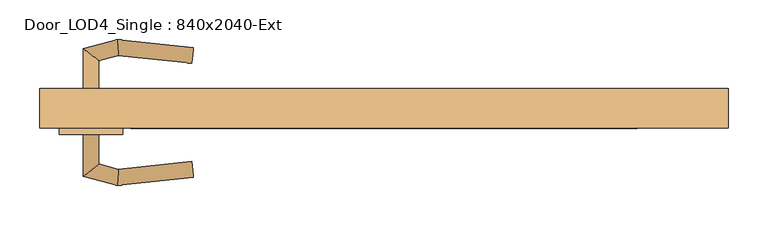
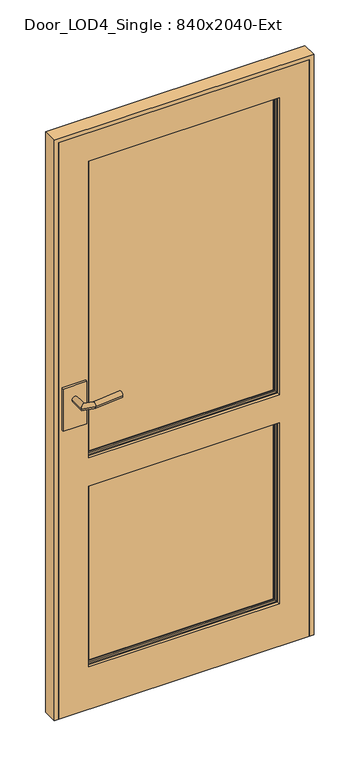
"""IFC4 building model written with IfcOpenShell, lengths in millimetres: door geometry, Door_LOD4_Single : 840x2040-Ext."""

from ifc_helpers import new_model, si_unit, frame, origin, place, context, project, spatial, polyline, circle_curve, ellipse_curve, outline, extrude, source, transform, mapped, element, save
from ifc_brep_helpers import plane_surface, cylinder_surface, advanced_brep


def door_lod4_single_840x2040_ext_ec07e4df(model_context):
    return source(origin(), model_context, "Body", "SolidModel", [
        advanced_brep(
        [(320.0000168, 5.0, 890.0), (-320.0000168, 5.0, 890.0), (-320.0000168, 5.0, 1940.0000817), (320.0000168, 5.0, 1940.0000817), (-316.3556719, 5.0, 893.6443449), (316.3556719, 5.0, 893.6443449), (316.3556719, 5.0, 1936.3557368), (-316.3556719, 5.0, 1936.3557368), (320.0000168, -15.0, 890.0), (320.0000168, -15.0, 1940.0000817), (-320.0000168, -15.0, 1940.0000817), (-320.0000168, -15.0, 890.0), (-316.3556719, -15.0, 1936.3557368), (316.3556719, -15.0, 1936.3557368), (316.3556719, -15.0, 893.6443449), (-316.3556719, -15.0, 893.6443449), (-309.5000168, -7.3125, 1929.5000817), (-309.5000168, -10.3125, 1929.5000817), (-309.5000168, -10.3125, 900.5), (-309.5000168, -7.3125, 900.5), (309.5000168, -10.3125, 900.5), (309.5000168, -7.3125, 900.5), (309.5000168, -10.3125, 1929.5000817), (309.5000168, -7.3125, 1929.5000817), (-314.0625168, -10.3125, 895.9375), (314.0625168, -10.3125, 895.9375), (314.0625168, -10.3125, 1934.0625817), (-314.0625168, -10.3125, 1934.0625817), (-309.5000168, 0.3125, 1929.5000817), (-309.5000168, -2.6875, 1929.5000817), (-309.5000168, -2.6875, 900.5), (-309.5000168, 0.3125, 900.5), (309.5000168, -2.6875, 900.5), (309.5000168, 0.3125, 900.5), (309.5000168, -2.6875, 1929.5000817), (309.5000168, 0.3125, 1929.5000817), (-314.0625168, 0.3125, 1934.0625817), (314.0625168, 0.3125, 1934.0625817), (314.0625168, 0.3125, 895.9375), (-314.0625168, 0.3125, 895.9375)],
        [
            (0, 1),
            (1, 2),
            (2, 3),
            (3, 0),
            (4, 5),
            (5, 6),
            (6, 7),
            (7, 4),
            (8, 9),
            (9, 10),
            (10, 11),
            (11, 8),
            (12, 13),
            (13, 14),
            (14, 15),
            (15, 12),
            (3, 9),
            (8, 0),
            (2, 10),
            (1, 11),
            (16, 17),
            (17, 18),
            (18, 19),
            (19, 16),
            (18, 20),
            (20, 21),
            (21, 19),
            (20, 22),
            (22, 23),
            (23, 21),
            (24, 25),
            (25, 26),
            (26, 27),
            (27, 24),
            (17, 22),
            (16, 23),
            (27, 12, ellipse_curve(frame((-320.0000168, -10.3125, 1940.0000817), z_axis=(-0.7071067811865475, 0.0, -0.7071067811865475), x_axis=(0.7071067811865474, 0.0, -0.7071067811865476)), 8.396893, 5.9375)),
            (15, 24, ellipse_curve(frame((-320.0000168, -10.3125, 890.0), z_axis=(-0.7071067811865475, 0.0, 0.7071067811865475), x_axis=(-0.7071067811865474, 0.0, -0.7071067811865476)), 8.396893, 5.9375)),
            (14, 25, ellipse_curve(frame((320.0000168, -10.3125, 890.0), z_axis=(-0.7071067811865475, 0.0, -0.7071067811865475), x_axis=(0.7071067811865476, 0.0, -0.7071067811865474)), 8.396893, 5.9375)),
            (13, 26, ellipse_curve(frame((320.0000168, -10.3125, 1940.0000817), z_axis=(0.7071067811865475, 0.0, -0.7071067811865475), x_axis=(0.7071067811865474, 0.0, 0.7071067811865476)), 8.396893, 5.9375)),
            (28, 29),
            (29, 30),
            (30, 31),
            (31, 28),
            (30, 32),
            (32, 33),
            (33, 31),
            (32, 34),
            (34, 35),
            (35, 33),
            (36, 37),
            (37, 38),
            (38, 39),
            (39, 36),
            (35, 28),
            (34, 29),
            (39, 4, ellipse_curve(frame((-320.0000168, 0.3125, 890.0), z_axis=(-0.7071067811865475, 0.0, 0.7071067811865475), x_axis=(-0.7071067811865474, 0.0, -0.7071067811865476)), 8.396893, 5.9375)),
            (7, 36, ellipse_curve(frame((-320.0000168, 0.3125, 1940.0000817), z_axis=(-0.7071067811865475, 0.0, -0.7071067811865475), x_axis=(0.7071067811865474, 0.0, -0.7071067811865476)), 8.396893, 5.9375)),
            (38, 5, ellipse_curve(frame((320.0000168, 0.3125, 890.0), z_axis=(-0.7071067811865475, 0.0, -0.7071067811865475), x_axis=(0.7071067811865476, 0.0, -0.7071067811865474)), 8.396893, 5.9375)),
            (37, 6, ellipse_curve(frame((320.0000168, 0.3125, 1940.0000817), z_axis=(0.7071067811865475, 0.0, -0.7071067811865475), x_axis=(0.7071067811865474, 0.0, 0.7071067811865476)), 8.396893, 5.9375)),
        ],
        [
            plane_surface(frame((320.0000168, 5.0, 890.0), z_axis=(0.0, 1.0, 0.0), x_axis=(0.0, 0.0, 1.0))),
            plane_surface(frame((320.0000168, -15.0, 890.0), z_axis=(0.0, -1.0, 0.0), x_axis=(0.0, 0.0, -1.0))),
            plane_surface(frame((320.0000168, 5.0, 890.0), z_axis=(1.0, 0.0, 0.0), x_axis=(0.0, -1.0, 0.0))),
            plane_surface(frame((320.0000168, 5.0, 1940.0000817), z_axis=(0.0, 0.0, 1.0), x_axis=(0.0, -1.0, 0.0))),
            plane_surface(frame((-320.0000168, 5.0, 1940.0000817), z_axis=(-1.0, 0.0, 0.0), x_axis=(0.0, -1.0, 0.0))),
            plane_surface(frame((-320.0000168, 5.0, 890.0), z_axis=(0.0, 0.0, -1.0), x_axis=(0.0, -1.0, 0.0))),
            plane_surface(frame((-309.5000168, -10.3125, 1929.5000817), z_axis=(1.0, 0.0, 0.0), x_axis=(0.0, 0.0, -1.0))),
            plane_surface(frame((-309.5000168, -10.3125, 900.5), z_axis=(0.0, 0.0, 1.0), x_axis=(1.0, 0.0, 0.0))),
            plane_surface(frame((309.5000168, -10.3125, 900.5), z_axis=(-1.0, 0.0, 0.0), x_axis=(0.0, 0.0, 1.0))),
            plane_surface(frame((314.0625168, -10.3125, 1934.0625817), z_axis=(0.0, -1.0, 0.0), x_axis=(-1.0, 0.0, 0.0))),
            plane_surface(frame((309.5000168, -10.3125, 1929.5000817), z_axis=(0.0, 0.0, -1.0), x_axis=(-1.0, 0.0, 0.0))),
            plane_surface(frame((309.5000168, -7.3125, 1929.5000817), z_axis=(0.0, -1.0, 0.0), x_axis=(-1.0, 0.0, 0.0))),
            cylinder_surface(frame((-320.0000168, -10.3125, 1940.0000817), z_axis=(0.0, 0.0, -1.0), x_axis=(-1.0, 0.0, 0.0)), 5.9375),
            cylinder_surface(frame((-320.0000168, -10.3125, 890.0), z_axis=(1.0, 0.0, 0.0), x_axis=(0.0, 0.0, -1.0)), 5.9375),
            cylinder_surface(frame((320.0000168, -10.3125, 890.0), z_axis=(0.0, 0.0, 1.0), x_axis=(1.0, 0.0, 0.0)), 5.9375),
            cylinder_surface(frame((320.0000168, -10.3125, 1940.0000817), z_axis=(-1.0, 0.0, 0.0), x_axis=(0.0, 0.0, 1.0)), 5.9375),
            plane_surface(frame((-309.5000168, -2.6875, 1929.5000817), z_axis=(1.0, 0.0, 0.0), x_axis=(0.0, 0.0, -1.0))),
            plane_surface(frame((-309.5000168, -2.6875, 900.5), z_axis=(0.0, 0.0, 1.0), x_axis=(1.0, 0.0, 0.0))),
            plane_surface(frame((309.5000168, -2.6875, 900.5), z_axis=(-1.0, 0.0, 0.0), x_axis=(0.0, 0.0, 1.0))),
            plane_surface(frame((309.5000168, 0.3125, 1929.5000817), z_axis=(0.0, 1.0, 0.0), x_axis=(-1.0, 0.0, 0.0))),
            plane_surface(frame((309.5000168, -2.6875, 1929.5000817), z_axis=(0.0, 0.0, -1.0), x_axis=(-1.0, 0.0, 0.0))),
            plane_surface(frame((286.5442644, -2.6875, 1906.5443293), z_axis=(0.0, 1.0, 0.0), x_axis=(-1.0, 0.0, 0.0))),
            cylinder_surface(frame((-320.0000168, 0.3125, 1940.0000817), z_axis=(0.0, 0.0, -1.0), x_axis=(1.0, 0.0, 0.0)), 5.9375),
            cylinder_surface(frame((-320.0000168, 0.3125, 890.0), z_axis=(1.0, 0.0, 0.0), x_axis=(0.0, 0.0, 1.0)), 5.9375),
            cylinder_surface(frame((320.0000168, 0.3125, 890.0), z_axis=(0.0, 0.0, 1.0), x_axis=(-1.0, 0.0, 0.0)), 5.9375),
            cylinder_surface(frame((320.0000168, 0.3125, 1940.0000817), z_axis=(-1.0, 0.0, 0.0), x_axis=(0.0, 0.0, -1.0)), 5.9375),
        ],
        [
            (0, [[1, 2, 3, 4], [5, 6, 7, 8]]),
            (1, [[9, 10, 11, 12], [13, 14, 15, 16]]),
            (2, [[17, -9, 18, -4]]),
            (3, [[19, -10, -17, -3]]),
            (4, [[20, -11, -19, -2]]),
            (5, [[-18, -12, -20, -1]]),
            (6, [[21, 22, 23, 24]]),
            (7, [[25, 26, 27, -23]]),
            (8, [[28, 29, 30, -26]]),
            (9, [[31, 32, 33, 34], [35, -28, -25, -22]]),
            (10, [[36, -29, -35, -21]]),
            (11, [[-27, -30, -36, -24]]),
            (12, [[37, -16, 38, -34]]),
            (13, [[-38, -15, 39, -31]]),
            (14, [[-39, -14, 40, -32]]),
            (15, [[-40, -13, -37, -33]]),
            (16, [[41, 42, 43, 44]]),
            (17, [[45, 46, 47, -43]]),
            (18, [[48, 49, 50, -46]]),
            (19, [[51, 52, 53, 54], [-47, -50, 55, -44]]),
            (20, [[-55, -49, 56, -41]]),
            (21, [[-56, -48, -45, -42]]),
            (22, [[57, -8, 58, -54]]),
            (23, [[59, -5, -57, -53]]),
            (24, [[60, -6, -59, -52]]),
            (25, [[-58, -7, -60, -51]]),
        ],
    ),
        advanced_brep(
        [(320.0000168, 5.0, 150.0), (-320.0000168, 5.0, 150.0), (-320.0000168, 5.0, 790.0), (320.0000168, 5.0, 790.0), (-316.3556719, 5.0, 153.6443449), (316.3556719, 5.0, 153.6443449), (316.3556719, 5.0, 786.3556551), (-316.3556719, 5.0, 786.3556551), (320.0000168, -15.0, 150.0), (320.0000168, -15.0, 790.0), (-320.0000168, -15.0, 790.0), (-320.0000168, -15.0, 150.0), (-316.3556719, -15.0, 786.3556551), (316.3556719, -15.0, 786.3556551), (316.3556719, -15.0, 153.6443449), (-316.3556719, -15.0, 153.6443449), (-309.5000168, -7.3125, 779.5), (-309.5000168, -10.3125, 779.5), (-309.5000168, -10.3125, 160.5), (-309.5000168, -7.3125, 160.5), (309.5000168, -10.3125, 160.5), (309.5000168, -7.3125, 160.5), (309.5000168, -10.3125, 779.5), (309.5000168, -7.3125, 779.5), (-314.0625168, -10.3125, 155.9375), (314.0625168, -10.3125, 155.9375), (314.0625168, -10.3125, 784.0625), (-314.0625168, -10.3125, 784.0625), (-309.5000168, 0.3125, 779.5), (-309.5000168, -2.6875, 779.5), (-309.5000168, -2.6875, 160.5), (-309.5000168, 0.3125, 160.5), (309.5000168, -2.6875, 160.5), (309.5000168, 0.3125, 160.5), (309.5000168, -2.6875, 779.5), (309.5000168, 0.3125, 779.5), (-314.0625168, 0.3125, 784.0625), (314.0625168, 0.3125, 784.0625), (314.0625168, 0.3125, 155.9375), (-314.0625168, 0.3125, 155.9375)],
        [
            (0, 1),
            (1, 2),
            (2, 3),
            (3, 0),
            (4, 5),
            (5, 6),
            (6, 7),
            (7, 4),
            (8, 9),
            (9, 10),
            (10, 11),
            (11, 8),
            (12, 13),
            (13, 14),
            (14, 15),
            (15, 12),
            (3, 9),
            (8, 0),
            (2, 10),
            (1, 11),
            (16, 17),
            (17, 18),
            (18, 19),
            (19, 16),
            (18, 20),
            (20, 21),
            (21, 19),
            (20, 22),
            (22, 23),
            (23, 21),
            (24, 25),
            (25, 26),
            (26, 27),
            (27, 24),
            (17, 22),
            (16, 23),
            (27, 12, ellipse_curve(frame((-320.0000168, -10.3125, 790.0), z_axis=(-0.7071067811865475, 0.0, -0.7071067811865475), x_axis=(0.7071067811865474, 0.0, -0.7071067811865476)), 8.396893, 5.9375)),
            (15, 24, ellipse_curve(frame((-320.0000168, -10.3125, 150.0), z_axis=(-0.7071067811865475, 0.0, 0.7071067811865475), x_axis=(-0.7071067811865474, 0.0, -0.7071067811865476)), 8.396893, 5.9375)),
            (14, 25, ellipse_curve(frame((320.0000168, -10.3125, 150.0), z_axis=(-0.7071067811865475, 0.0, -0.7071067811865475), x_axis=(0.7071067811865476, 0.0, -0.7071067811865474)), 8.396893, 5.9375)),
            (13, 26, ellipse_curve(frame((320.0000168, -10.3125, 790.0), z_axis=(0.7071067811865475, 0.0, -0.7071067811865475), x_axis=(0.7071067811865474, 0.0, 0.7071067811865476)), 8.396893, 5.9375)),
            (28, 29),
            (29, 30),
            (30, 31),
            (31, 28),
            (30, 32),
            (32, 33),
            (33, 31),
            (32, 34),
            (34, 35),
            (35, 33),
            (36, 37),
            (37, 38),
            (38, 39),
            (39, 36),
            (35, 28),
            (34, 29),
            (39, 4, ellipse_curve(frame((-320.0000168, 0.3125, 150.0), z_axis=(-0.7071067811865475, 0.0, 0.7071067811865475), x_axis=(-0.7071067811865474, 0.0, -0.7071067811865476)), 8.396893, 5.9375)),
            (7, 36, ellipse_curve(frame((-320.0000168, 0.3125, 790.0), z_axis=(-0.7071067811865475, 0.0, -0.7071067811865475), x_axis=(0.7071067811865474, 0.0, -0.7071067811865476)), 8.396893, 5.9375)),
            (38, 5, ellipse_curve(frame((320.0000168, 0.3125, 150.0), z_axis=(-0.7071067811865475, 0.0, -0.7071067811865475), x_axis=(0.7071067811865476, 0.0, -0.7071067811865474)), 8.396893, 5.9375)),
            (37, 6, ellipse_curve(frame((320.0000168, 0.3125, 790.0), z_axis=(0.7071067811865475, 0.0, -0.7071067811865475), x_axis=(0.7071067811865474, 0.0, 0.7071067811865476)), 8.396893, 5.9375)),
        ],
        [
            plane_surface(frame((320.0000168, 5.0, 150.0), z_axis=(0.0, 1.0, 0.0), x_axis=(0.0, 0.0, 1.0))),
            plane_surface(frame((320.0000168, -15.0, 150.0), z_axis=(0.0, -1.0, 0.0), x_axis=(0.0, 0.0, -1.0))),
            plane_surface(frame((320.0000168, 5.0, 150.0), z_axis=(1.0, 0.0, 0.0), x_axis=(0.0, -1.0, 0.0))),
            plane_surface(frame((320.0000168, 5.0, 790.0), z_axis=(0.0, 0.0, 1.0), x_axis=(0.0, -1.0, 0.0))),
            plane_surface(frame((-320.0000168, 5.0, 790.0), z_axis=(-1.0, 0.0, 0.0), x_axis=(0.0, -1.0, 0.0))),
            plane_surface(frame((-320.0000168, 5.0, 150.0), z_axis=(0.0, 0.0, -1.0), x_axis=(0.0, -1.0, 0.0))),
            plane_surface(frame((-309.5000168, -10.3125, 779.5), z_axis=(1.0, 0.0, 0.0), x_axis=(0.0, 0.0, -1.0))),
            plane_surface(frame((-309.5000168, -10.3125, 160.5), z_axis=(0.0, 0.0, 1.0), x_axis=(1.0, 0.0, 0.0))),
            plane_surface(frame((309.5000168, -10.3125, 160.5), z_axis=(-1.0, 0.0, 0.0), x_axis=(0.0, 0.0, 1.0))),
            plane_surface(frame((314.0625168, -10.3125, 784.0625), z_axis=(0.0, -1.0, 0.0), x_axis=(-1.0, 0.0, 0.0))),
            plane_surface(frame((309.5000168, -10.3125, 779.5), z_axis=(0.0, 0.0, -1.0), x_axis=(-1.0, 0.0, 0.0))),
            plane_surface(frame((309.5000168, -7.3125, 779.5), z_axis=(0.0, -1.0, 0.0), x_axis=(-1.0, 0.0, 0.0))),
            cylinder_surface(frame((-320.0000168, -10.3125, 790.0), z_axis=(0.0, 0.0, -1.0), x_axis=(-1.0, 0.0, 0.0)), 5.9375),
            cylinder_surface(frame((-320.0000168, -10.3125, 150.0), z_axis=(1.0, 0.0, 0.0), x_axis=(0.0, 0.0, -1.0)), 5.9375),
            cylinder_surface(frame((320.0000168, -10.3125, 150.0), z_axis=(0.0, 0.0, 1.0), x_axis=(1.0, 0.0, 0.0)), 5.9375),
            cylinder_surface(frame((320.0000168, -10.3125, 790.0), z_axis=(-1.0, 0.0, 0.0), x_axis=(0.0, 0.0, 1.0)), 5.9375),
            plane_surface(frame((-309.5000168, -2.6875, 779.5), z_axis=(1.0, 0.0, 0.0), x_axis=(0.0, 0.0, -1.0))),
            plane_surface(frame((-309.5000168, -2.6875, 160.5), z_axis=(0.0, 0.0, 1.0), x_axis=(1.0, 0.0, 0.0))),
            plane_surface(frame((309.5000168, -2.6875, 160.5), z_axis=(-1.0, 0.0, 0.0), x_axis=(0.0, 0.0, 1.0))),
            plane_surface(frame((309.5000168, 0.3125, 779.5), z_axis=(0.0, 1.0, 0.0), x_axis=(-1.0, 0.0, 0.0))),
            plane_surface(frame((309.5000168, -2.6875, 779.5), z_axis=(0.0, 0.0, -1.0), x_axis=(-1.0, 0.0, 0.0))),
            plane_surface(frame((286.5442644, -2.6875, 756.5442476), z_axis=(0.0, 1.0, 0.0), x_axis=(-1.0, 0.0, 0.0))),
            cylinder_surface(frame((-320.0000168, 0.3125, 790.0), z_axis=(0.0, 0.0, -1.0), x_axis=(1.0, 0.0, 0.0)), 5.9375),
            cylinder_surface(frame((-320.0000168, 0.3125, 150.0), z_axis=(1.0, 0.0, 0.0), x_axis=(0.0, 0.0, 1.0)), 5.9375),
            cylinder_surface(frame((320.0000168, 0.3125, 150.0), z_axis=(0.0, 0.0, 1.0), x_axis=(-1.0, 0.0, 0.0)), 5.9375),
            cylinder_surface(frame((320.0000168, 0.3125, 790.0), z_axis=(-1.0, 0.0, 0.0), x_axis=(0.0, 0.0, -1.0)), 5.9375),
        ],
        [
            (0, [[1, 2, 3, 4], [5, 6, 7, 8]]),
            (1, [[9, 10, 11, 12], [13, 14, 15, 16]]),
            (2, [[17, -9, 18, -4]]),
            (3, [[19, -10, -17, -3]]),
            (4, [[20, -11, -19, -2]]),
            (5, [[-18, -12, -20, -1]]),
            (6, [[21, 22, 23, 24]]),
            (7, [[25, 26, 27, -23]]),
            (8, [[28, 29, 30, -26]]),
            (9, [[31, 32, 33, 34], [35, -28, -25, -22]]),
            (10, [[36, -29, -35, -21]]),
            (11, [[-27, -30, -36, -24]]),
            (12, [[37, -16, 38, -34]]),
            (13, [[-38, -15, 39, -31]]),
            (14, [[-39, -14, 40, -32]]),
            (15, [[-40, -13, -37, -33]]),
            (16, [[41, 42, 43, 44]]),
            (17, [[45, 46, 47, -43]]),
            (18, [[48, 49, 50, -46]]),
            (19, [[51, 52, 53, 54], [-47, -50, 55, -44]]),
            (20, [[-55, -49, 56, -41]]),
            (21, [[-56, -48, -45, -42]]),
            (22, [[57, -8, 58, -54]]),
            (23, [[59, -5, -57, -53]]),
            (24, [[60, -6, -59, -52]]),
            (25, [[-58, -7, -60, -51]]),
        ],
    ),
        extrude(outline(polyline([(2040.0000817, -420.0000168), (0.0, -420.0000168), (0.0, 420.0000168), (2040.0000817, 420.0000168), (2040.0000817, -420.0000168)]), holes=[polyline([(790.0, 320.0000168), (150.0, 320.0000168), (150.0, -320.0000168), (790.0, -320.0000168), (790.0, 320.0000168)]), polyline([(1940.0000817, 320.0000168), (890.0, 320.0000168), (890.0, -320.0000168), (1940.0000817, -320.0000168), (1940.0000817, 320.0000168)])]), frame((0.0, -25.0, 0.0), z_axis=(0.0, 1.0, 0.0), x_axis=(0.0, 0.0, 1.0)), (0.0, 0.0, 1.0), 40.0),
        advanced_brep(
        [(-380.0000168, 23.0, 1120.0000409), (-360.0000168, 23.0, 1120.0000409), (-380.0000168, 75.6732699, 1120.0000409), (-360.0000168, 60.3267301, 1120.0000409), (-336.9904249, 87.1976553, 1120.0000409), (-335.3948009, 66.9196778, 1120.0000409), (-240.6930725, 77.0736521, 1120.0000409), (-242.7842023, 57.1832731, 1120.0000409)],
        [
            (0, 1, circle_curve(frame((-370.0000168, 23.0, 1120.0000409), z_axis=(0.0, -1.0, 0.0), x_axis=(1.0, 0.0, 0.0)), 10.0)),
            (1, 0, circle_curve(frame((-370.0000168, 23.0, 1120.0000409), z_axis=(0.0, -1.0, 0.0), x_axis=(1.0, 0.0, 0.0)), 10.0)),
            (0, 2),
            (2, 3, ellipse_curve(frame((-370.0000168, 68.0, 1120.0000409), z_axis=(-0.6087614290087403, -0.79335334029122, 0.0), x_axis=(0.7933533402912198, -0.6087614290087406, 0.0)), 12.6047241, 10.0)),
            (3, 1),
            (3, 2, ellipse_curve(frame((-370.0000168, 68.0, 1120.0000409), z_axis=(-0.6087614290087403, -0.79335334029122, 0.0), x_axis=(0.7933533402912198, -0.6087614290087406, 0.0)), 12.6047241, 10.0)),
            (2, 4),
            (4, 5, ellipse_curve(frame((-336.1926129, 77.0586666, 1120.0000409), z_axis=(-0.9969184391323764, -0.07844504903348702, 0.0), x_axis=(0.07844504903348593, -0.9969184391323765, 0.0)), 10.1703292, 10.0)),
            (5, 3),
            (5, 4, ellipse_curve(frame((-336.1926129, 77.0586666, 1120.0000409), z_axis=(-0.9969184391323764, -0.07844504903348702, 0.0), x_axis=(0.07844504903348593, -0.9969184391323765, 0.0)), 10.1703292, 10.0)),
            (6, 7, circle_curve(frame((-241.7386374, 67.1284626, 1120.0000409), z_axis=(0.9945189493358518, -0.10455648909519343, 0.0), x_axis=(-0.10455648909519343, -0.9945189493358518, 0.0)), 10.0)),
            (7, 6, circle_curve(frame((-241.7386374, 67.1284626, 1120.0000409), z_axis=(0.9945189493358518, -0.10455648909519343, 0.0), x_axis=(-0.10455648909519343, -0.9945189493358518, 0.0)), 10.0)),
            (4, 6),
            (7, 5),
        ],
        [
            plane_surface(frame((-370.0000168, 23.0, 1120.0000409), z_axis=(0.0, -1.0, 0.0), x_axis=(0.0, 0.0, 1.0))),
            cylinder_surface(frame((-370.0000168, 23.0, 1120.0000409), z_axis=(0.0, -1.0, 0.0), x_axis=(1.0, 0.0, 0.0)), 10.0),
            cylinder_surface(frame((-370.0000168, 68.0, 1120.0000409), z_axis=(-0.965925826289083, -0.2588190451024665, 0.0), x_axis=(0.2588190451024665, -0.965925826289083, 0.0)), 10.0),
            plane_surface(frame((-241.7386374, 67.1284626, 1120.0000409), z_axis=(0.9945189493358518, -0.10455648909519348, 0.0), x_axis=(0.0, 0.0, 1.0))),
            cylinder_surface(frame((-336.1926129, 77.0586666, 1120.0000409), z_axis=(-0.9945189493358518, 0.10455648909519343, 0.0), x_axis=(-0.10455648909519343, -0.9945189493358518, 0.0)), 10.0),
        ],
        [
            (0, [[1, 2]]),
            (1, [[-1, 3, 4, 5]]),
            (1, [[-2, -5, 6, -3]]),
            (2, [[-4, 7, 8, 9]]),
            (2, [[-6, -9, 10, -7]]),
            (3, [[11, 12]]),
            (4, [[-8, 13, -12, 14]]),
            (4, [[-10, -14, -11, -13]]),
        ],
    ),
        extrude(outline(polyline([(-410.0000168, 23.0), (-330.0000168, 23.0), (-330.0000168, 15.0), (-410.0000168, 15.0), (-410.0000168, 23.0)])), frame((0.0, 0.0, 1020.0000409), z_axis=(0.0, 0.0, 1.0), x_axis=(1.0, 0.0, 0.0)), (0.0, 0.0, 1.0), 150.0),
        advanced_brep(
        [(-380.0000168, -33.0, 1120.0000409), (-360.0000168, -33.0, 1120.0000409), (-360.0000168, -70.3267301, 1120.0000409), (-380.0000168, -85.6732699, 1120.0000409), (-335.3948009, -76.9196778, 1120.0000409), (-336.9904249, -97.1976553, 1120.0000409), (-240.6930725, -87.0736521, 1120.0000409), (-242.7842023, -67.1832731, 1120.0000409)],
        [
            (0, 1, circle_curve(frame((-370.0000168, -33.0, 1120.0000409), z_axis=(0.0, 1.0, 0.0), x_axis=(1.0, 0.0, 0.0)), 10.0)),
            (1, 0, circle_curve(frame((-370.0000168, -33.0, 1120.0000409), z_axis=(0.0, 1.0, 0.0), x_axis=(1.0, 0.0, 0.0)), 10.0)),
            (1, 2),
            (2, 3, ellipse_curve(frame((-370.0000168, -78.0, 1120.0000409), z_axis=(-0.6087614290087454, 0.793353340291216, 0.0), x_axis=(0.793353340291216, 0.6087614290087459, 0.0)), 12.6047241, 10.0)),
            (3, 0),
            (3, 2, ellipse_curve(frame((-370.0000168, -78.0, 1120.0000409), z_axis=(-0.6087614290087454, 0.793353340291216, 0.0), x_axis=(0.793353340291216, 0.6087614290087459, 0.0)), 12.6047241, 10.0)),
            (2, 4),
            (4, 5, ellipse_curve(frame((-336.1926129, -87.0586666, 1120.0000409), z_axis=(-0.9969184391323771, 0.07844504903348057, 0.0), x_axis=(0.07844504903348166, 0.9969184391323769, 0.0)), 10.1703292, 10.0)),
            (5, 3),
            (5, 4, ellipse_curve(frame((-336.1926129, -87.0586666, 1120.0000409), z_axis=(-0.9969184391323771, 0.07844504903348057, 0.0), x_axis=(0.07844504903348166, 0.9969184391323769, 0.0)), 10.1703292, 10.0)),
            (6, 7, circle_curve(frame((-241.7386374, -77.1284626, 1120.0000409), z_axis=(0.9945189493358512, 0.10455648909519989, 0.0), x_axis=(-0.10455648909519989, 0.9945189493358512, 0.0)), 10.0)),
            (7, 6, circle_curve(frame((-241.7386374, -77.1284626, 1120.0000409), z_axis=(0.9945189493358512, 0.10455648909519989, 0.0), x_axis=(-0.10455648909519989, 0.9945189493358512, 0.0)), 10.0)),
            (4, 7),
            (6, 5),
        ],
        [
            plane_surface(frame((-370.0000168, -33.0, 1120.0000409), z_axis=(0.0, 1.0, 0.0), x_axis=(0.0, 0.0, 1.0))),
            cylinder_surface(frame((-370.0000168, -33.0, 1120.0000409), z_axis=(0.0, 1.0, 0.0), x_axis=(1.0, 0.0, 0.0)), 10.0),
            cylinder_surface(frame((-370.0000168, -78.0, 1120.0000409), z_axis=(-0.9659258262890846, 0.25881904510246023, 0.0), x_axis=(0.25881904510246023, 0.9659258262890846, 0.0)), 10.0),
            plane_surface(frame((-241.7386374, -77.1284626, 1120.0000409), z_axis=(0.9945189493358512, 0.10455648909519995, 0.0), x_axis=(0.0, 0.0, 1.0))),
            cylinder_surface(frame((-336.1926129, -87.0586666, 1120.0000409), z_axis=(-0.9945189493358512, -0.10455648909519989, 0.0), x_axis=(-0.10455648909519989, 0.9945189493358512, 0.0)), 10.0),
        ],
        [
            (0, [[1, 2]]),
            (1, [[3, 4, 5, -2]]),
            (1, [[-5, 6, -3, -1]]),
            (2, [[7, 8, 9, -4]]),
            (2, [[-9, 10, -7, -6]]),
            (3, [[11, 12]]),
            (4, [[13, -11, 14, -8]]),
            (4, [[-14, -12, -13, -10]]),
        ],
    ),
        extrude(outline(polyline([(-410.0000168, -33.0), (-410.0000168, -25.0), (-330.0000168, -25.0), (-330.0000168, -33.0), (-410.0000168, -33.0)])), frame((0.0, 0.0, 1020.0000409), z_axis=(0.0, 0.0, 1.0), x_axis=(1.0, 0.0, 0.0)), (0.0, 0.0, 1.0), 150.0),
        extrude(outline(polyline([(2055.0000817, -435.0000168), (0.0, -435.0000168), (0.0, -420.0000168), (2040.0000817, -420.0000168), (2040.0000817, 420.0000168), (0.0, 420.0000168), (0.0, 435.0000168), (2055.0000817, 435.0000168), (2055.0000817, -435.0000168)])), frame((0.0, -25.0, 0.0), z_axis=(0.0, 1.0, 0.0), x_axis=(0.0, 0.0, 1.0)), (0.0, 0.0, 1.0), 50.0),
    ])


if __name__ == "__main__":
    model = new_model("IFC4")
    model_context = context("Model", 3, world=origin())
    ifc_project = project(units=[si_unit("LENGTHUNIT", "METRE", prefix="MILLI")], contexts=[model_context])
    site = spatial("IfcSite", under=ifc_project)
    building = spatial("IfcBuilding", under=site)
    placement = place(None, origin())
    door_lod4_single_840x2040_ext_shape = door_lod4_single_840x2040_ext_ec07e4df(model_context)
    element("IfcDoor", 1, ObjectType="Door_LOD4_Single : 840x2040-Ext", at=placement, inside=building, context=model_context, shape_type="MappedRepresentation", body=[
        mapped(door_lod4_single_840x2040_ext_shape, transform((0.0, 0.0, 0.0), x_axis=(1.0, 0.0, 0.0), y_axis=(0.0, 1.0, 0.0), z_axis=(0.0, 0.0, 1.0))),
    ])
    save(model, "model.ifc")
